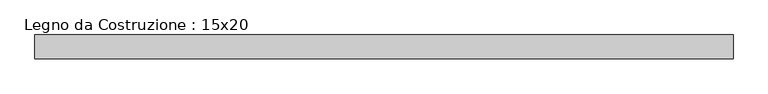
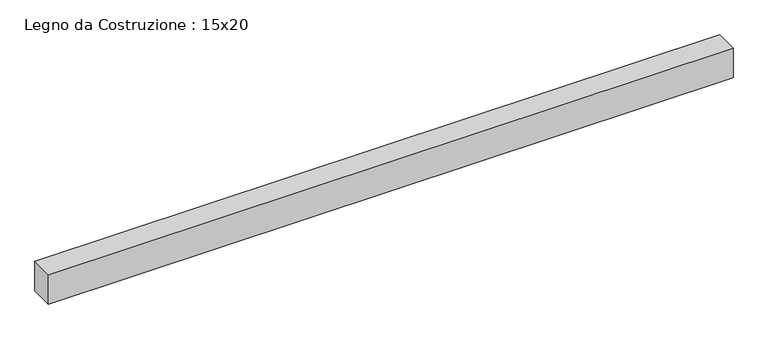
"""IFC4 building model written with IfcOpenShell, lengths in millimetres: beam geometry, Legno da Costruzione : 15x20."""

from ifc_helpers import new_model, si_unit, frame, origin, place, context, project, spatial, polyline, outline, extrude, source, transform, mapped, element, save


def legno_da_costruzione_15x20_0240127e(model_context):
    return source(origin(), model_context, "Body", "SweptSolid", [
        extrude(outline(polyline([(2291.5, 75.0), (2291.5, -75.0), (-2102.5, -75.0), (-2102.5, 75.0), (2291.5, 75.0)])), frame((0.0, 0.0, -100.0), z_axis=(0.0, 0.0, 1.0), x_axis=(1.0, 0.0, 0.0)), (0.0, 0.0, 1.0), 200.0),
    ])


if __name__ == "__main__":
    model = new_model("IFC4")
    model_context = context("Model", 3, world=origin())
    ifc_project = project(units=[si_unit("LENGTHUNIT", "METRE", prefix="MILLI")], contexts=[model_context])
    site = spatial("IfcSite", under=ifc_project)
    building = spatial("IfcBuilding", under=site)
    placement = place(None, origin())
    legno_da_costruzione_15x20_shape = legno_da_costruzione_15x20_0240127e(model_context)
    element("IfcBeam", 1, ObjectType="Legno da Costruzione : 15x20", at=placement, inside=building, context=model_context, shape_type="MappedRepresentation", body=[
        mapped(legno_da_costruzione_15x20_shape, transform((0.0, 0.0, 0.0), x_axis=(1.0, 0.0, 0.0), y_axis=(0.0, 1.0, 0.0), z_axis=(0.0, 0.0, 1.0))),
    ])
    save(model, "model.ifc")
